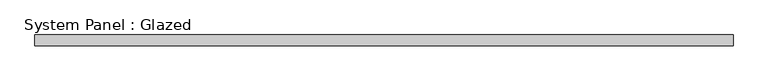
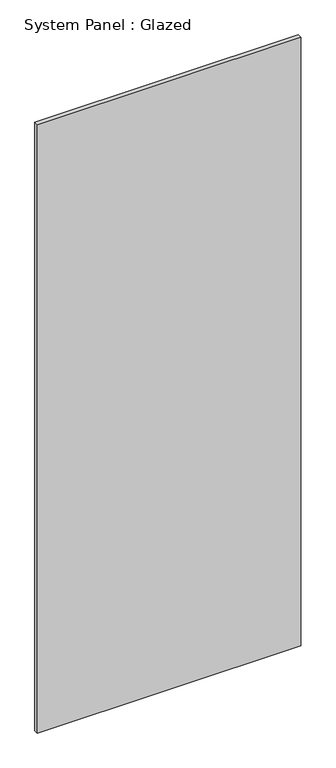
"""IFC4 building model written with IfcOpenShell, lengths in millimetres: plate geometry, System Panel : Glazed."""

from ifc_helpers import new_model, si_unit, origin, origin_with_axes, place, context, project, spatial, polyline, outline, extrude, source, transform, mapped, element, save


def system_panel_glazed_2ae449ef(model_context):
    return source(origin(), model_context, "Body", "SweptSolid", [
        extrude(outline(polyline([(809.1455333, 24.5), (-809.1455333, 24.5), (-809.1455333, 49.5), (809.1455333, 49.5), (809.1455333, 24.5)])), origin_with_axes(), (0.0, 0.0, 1.0), 3950.0),
    ])


if __name__ == "__main__":
    model = new_model("IFC4")
    model_context = context("Model", 3, world=origin())
    ifc_project = project(units=[si_unit("LENGTHUNIT", "METRE", prefix="MILLI")], contexts=[model_context])
    site = spatial("IfcSite", under=ifc_project)
    building = spatial("IfcBuilding", under=site)
    placement = place(None, origin())
    system_panel_glazed_shape = system_panel_glazed_2ae449ef(model_context)
    element("IfcPlate", 1, ObjectType="System Panel : Glazed", at=placement, inside=building, context=model_context, shape_type="MappedRepresentation", body=[
        mapped(system_panel_glazed_shape, transform((0.0, 0.0, 0.0), x_axis=(1.0, 0.0, 0.0), y_axis=(0.0, 1.0, 0.0), z_axis=(0.0, 0.0, 1.0))),
    ])
    save(model, "model.ifc")
